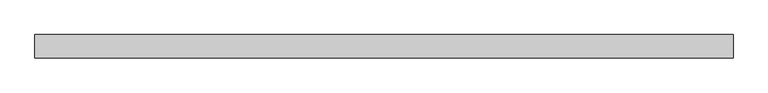
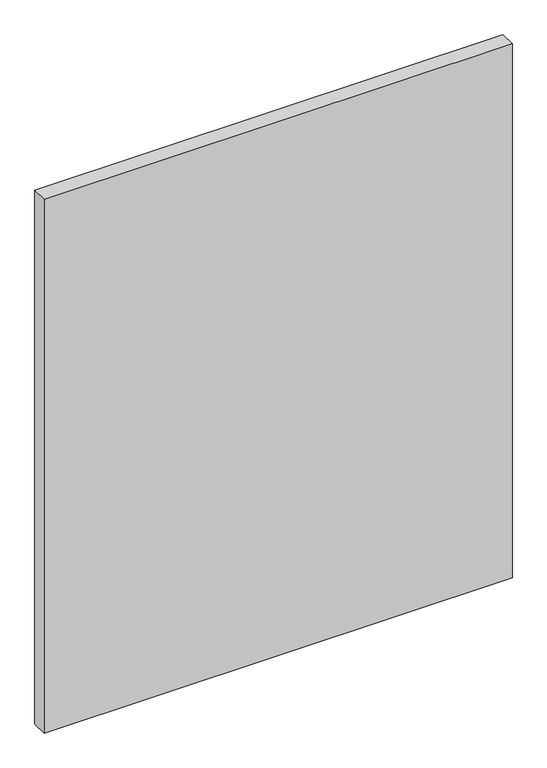
"""IFC4 building model written with IfcOpenShell, lengths in millimetres: plate geometry."""

from ifc_helpers import new_model, si_unit, origin, origin_with_axes, place, context, project, spatial, polyline, outline, extrude, source, transform, mapped, element, save


def plate_9ddb2b85(model_context):
    return source(origin(), model_context, "Body", "SweptSolid", [
        extrude(outline(polyline([(730.9465304, -24.60625), (-730.9465304, -24.60625), (-730.9465304, 24.60625), (730.9465304, 24.60625), (730.9465304, -24.60625)])), origin_with_axes(), (0.0, 0.0, 1.0), 1761.3),
    ])


if __name__ == "__main__":
    model = new_model("IFC4")
    model_context = context("Model", 3, world=origin())
    ifc_project = project(units=[si_unit("LENGTHUNIT", "METRE", prefix="MILLI")], contexts=[model_context])
    site = spatial("IfcSite", under=ifc_project)
    building = spatial("IfcBuilding", under=site)
    placement = place(None, origin())
    plate_shape = plate_9ddb2b85(model_context)
    element("IfcPlate", 1, at=placement, inside=building, context=model_context, shape_type="MappedRepresentation", body=[
        mapped(plate_shape, transform((0.0, 0.0, 0.0), x_axis=(1.0, 0.0, 0.0), y_axis=(0.0, 1.0, 0.0), z_axis=(0.0, 0.0, 1.0))),
    ])
    save(model, "model.ifc")
